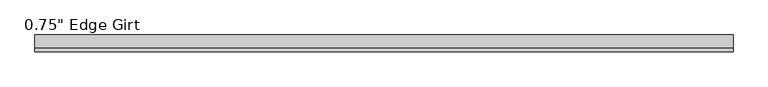
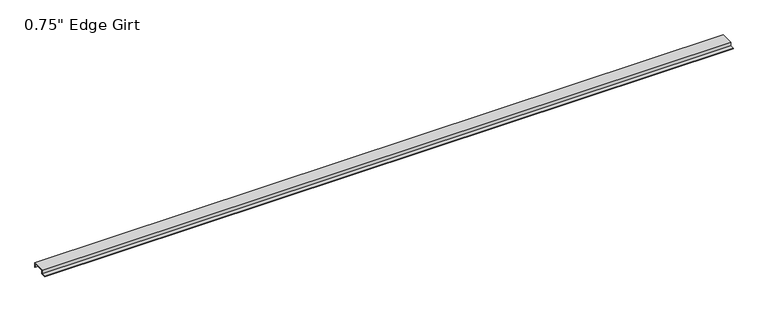
"""IFC4 building model written with IfcOpenShell, lengths in millimetres: proxy geometry."""

from ifc_helpers import new_model, si_unit, frame, origin, place, context, project, spatial, polyline, outline, extrude, source, transform, mapped, element, save


def proxy_eb33e951(model_context):
    return source(origin(), model_context, "Body", "SweptSolid", [
        extrude(outline(polyline([(-46.0559645, -17.4375), (-46.0559645, -15.8242), (-27.0129, -15.8242), (-27.0129, 1.6129), (27.0129, 1.6129), (27.0129, -17.4375), (25.4, -17.4375), (25.4, 0.0), (-25.4, 0.0), (-25.4, -17.4375), (-46.0559645, -17.4375)])), frame((0.0, 0.0, 0.0), z_axis=(1.0, 0.0, 0.0), x_axis=(0.0, 1.0, 0.0)), (0.0, 0.0, 1.0), 2993.9742),
    ])


if __name__ == "__main__":
    model = new_model("IFC4")
    model_context = context("Model", 3, world=origin())
    ifc_project = project(units=[si_unit("LENGTHUNIT", "METRE", prefix="MILLI")], contexts=[model_context])
    site = spatial("IfcSite", under=ifc_project)
    building = spatial("IfcBuilding", under=site)
    placement = place(None, origin())
    proxy_shape = proxy_eb33e951(model_context)
    element("IfcBuildingElementProxy", 1, Name="0.75\" Edge Girt", ObjectType="0.75\" Edge Girt", at=placement, inside=building, context=model_context, shape_type="MappedRepresentation", body=[
        mapped(proxy_shape, transform((0.0, 0.0, 0.0), x_axis=(1.0, 0.0, 0.0), y_axis=(0.0, 1.0, 0.0), z_axis=(0.0, 0.0, 1.0))),
    ])
    save(model, "model.ifc")
